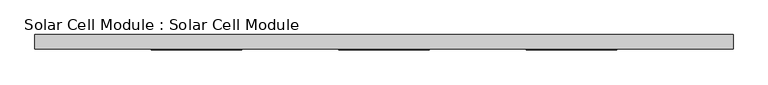
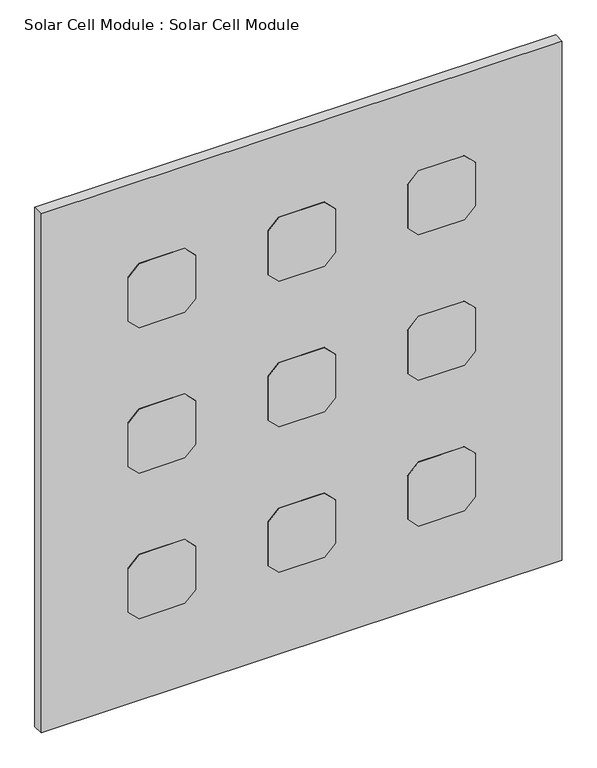
"""IFC4 building model written with IfcOpenShell, lengths in millimetres: plate geometry, Solar Cell Module : Solar Cell Module."""

from ifc_helpers import new_model, si_unit, frame, origin, origin_with_axes, place, context, project, spatial, polyline, outline, extrude, source, transform, mapped, element, save


def solar_cell_module_solar_cell_module_291ed301(model_context):
    return source(origin(), model_context, "Body", "SweptSolid", [
        extrude(outline(polyline([(554.6713593, 53.0), (579.6713593, 78.0), (685.6713593, 78.0), (710.6713593, 53.0), (710.6713593, -53.0), (685.6713593, -78.0), (579.6713593, -78.0), (554.6713593, -53.0), (554.6713593, 53.0)])), frame((0.0, -26.0, 0.0), z_axis=(0.0, 1.0, 0.0), x_axis=(0.0, 0.0, 1.0)), (0.0, 0.0, 1.0), 1.0),
        extrude(outline(polyline([(909.3427185, 53.0), (934.3427185, 78.0), (1040.3427185, 78.0), (1065.3427185, 53.0), (1065.3427185, -53.0), (1040.3427185, -78.0), (934.3427185, -78.0), (909.3427185, -53.0), (909.3427185, 53.0)])), frame((0.0, -26.0, 0.0), z_axis=(0.0, 1.0, 0.0), x_axis=(0.0, 0.0, 1.0)), (0.0, 0.0, 1.0), 1.0),
        extrude(outline(polyline([(200.0, 53.0), (225.0, 78.0), (331.0, 78.0), (356.0, 53.0), (356.0, -53.0), (331.0, -78.0), (225.0, -78.0), (200.0, -53.0), (200.0, 53.0)])), frame((0.0, -26.0, 0.0), z_axis=(0.0, 1.0, 0.0), x_axis=(0.0, 0.0, 1.0)), (0.0, 0.0, 1.0), 1.0),
        extrude(outline(polyline([(554.6713593, 375.7378602), (579.6713593, 400.7378602), (685.6713593, 400.7378602), (710.6713593, 375.7378602), (710.6713593, 269.7378602), (685.6713593, 244.7378602), (579.6713593, 244.7378602), (554.6713593, 269.7378602), (554.6713593, 375.7378602)])), frame((0.0, -26.0, 0.0), z_axis=(0.0, 1.0, 0.0), x_axis=(0.0, 0.0, 1.0)), (0.0, 0.0, 1.0), 1.0),
        extrude(outline(polyline([(909.3427185, 375.7378602), (934.3427185, 400.7378602), (1040.3427185, 400.7378602), (1065.3427185, 375.7378602), (1065.3427185, 269.7378602), (1040.3427185, 244.7378602), (934.3427185, 244.7378602), (909.3427185, 269.7378602), (909.3427185, 375.7378602)])), frame((0.0, -26.0, 0.0), z_axis=(0.0, 1.0, 0.0), x_axis=(0.0, 0.0, 1.0)), (0.0, 0.0, 1.0), 1.0),
        extrude(outline(polyline([(200.0, 375.7378602), (225.0, 400.7378602), (331.0, 400.7378602), (356.0, 375.7378602), (356.0, 269.7378602), (331.0, 244.7378602), (225.0, 244.7378602), (200.0, 269.7378602), (200.0, 375.7378602)])), frame((0.0, -26.0, 0.0), z_axis=(0.0, 1.0, 0.0), x_axis=(0.0, 0.0, 1.0)), (0.0, 0.0, 1.0), 1.0),
        extrude(outline(polyline([(554.6713593, -269.7378602), (579.6713593, -244.7378602), (685.6713593, -244.7378602), (710.6713593, -269.7378602), (710.6713593, -375.7378602), (685.6713593, -400.7378602), (579.6713593, -400.7378602), (554.6713593, -375.7378602), (554.6713593, -269.7378602)])), frame((0.0, -26.0, 0.0), z_axis=(0.0, 1.0, 0.0), x_axis=(0.0, 0.0, 1.0)), (0.0, 0.0, 1.0), 1.0),
        extrude(outline(polyline([(909.3427185, -269.7378602), (934.3427185, -244.7378602), (1040.3427185, -244.7378602), (1065.3427185, -269.7378602), (1065.3427185, -375.7378602), (1040.3427185, -400.7378602), (934.3427185, -400.7378602), (909.3427185, -375.7378602), (909.3427185, -269.7378602)])), frame((0.0, -26.0, 0.0), z_axis=(0.0, 1.0, 0.0), x_axis=(0.0, 0.0, 1.0)), (0.0, 0.0, 1.0), 1.0),
        extrude(outline(polyline([(200.0, -269.7378602), (225.0, -244.7378602), (331.0, -244.7378602), (356.0, -269.7378602), (356.0, -375.7378602), (331.0, -400.7378602), (225.0, -400.7378602), (200.0, -375.7378602), (200.0, -269.7378602)])), frame((0.0, -26.0, 0.0), z_axis=(0.0, 1.0, 0.0), x_axis=(0.0, 0.0, 1.0)), (0.0, 0.0, 1.0), 1.0),
        extrude(outline(polyline([(600.7378602, -25.0), (-600.7378602, -25.0), (-600.7378602, 0.0), (600.7378602, 0.0), (600.7378602, -25.0)])), origin_with_axes(), (0.0, 0.0, 1.0), 1265.3427185),
    ])


if __name__ == "__main__":
    model = new_model("IFC4")
    model_context = context("Model", 3, world=origin())
    ifc_project = project(units=[si_unit("LENGTHUNIT", "METRE", prefix="MILLI")], contexts=[model_context])
    site = spatial("IfcSite", under=ifc_project)
    building = spatial("IfcBuilding", under=site)
    placement = place(None, origin())
    solar_cell_module_solar_cell_module_shape = solar_cell_module_solar_cell_module_291ed301(model_context)
    element("IfcPlate", 1, ObjectType="Solar Cell Module : Solar Cell Module", at=placement, inside=building, context=model_context, shape_type="MappedRepresentation", body=[
        mapped(solar_cell_module_solar_cell_module_shape, transform((0.0, 0.0, 0.0), x_axis=(1.0, 0.0, 0.0), y_axis=(0.0, 1.0, 0.0), z_axis=(0.0, 0.0, 1.0))),
    ])
    save(model, "model.ifc")
